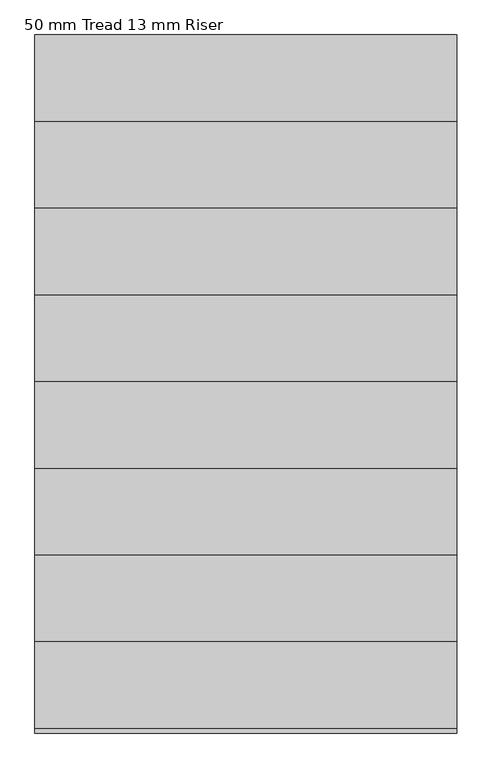
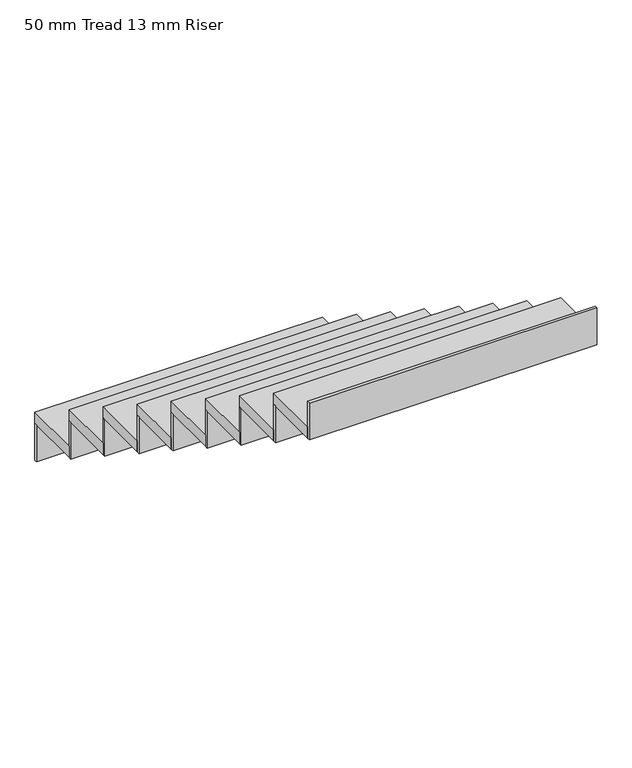
"""IFC4 building model written with IfcOpenShell, lengths in millimetres: stair flight geometry, 50 mm Tread 13 mm Riser."""

from ifc_helpers import new_model, si_unit, frame, origin, place, context, project, spatial, polyline, outline, extrude, source, transform, mapped, element, save


def stair_flight_50_mm_tread_13_mm_riser_f593c739(model_context):
    return source(origin(), model_context, "Body", "SweptSolid", [
        extrude(outline(polyline([(-21646.2730582, 13566.4200407), (-21646.2730582, 13578.9200407), (-20430.166273, 13578.9200407), (-20430.166273, 13566.4200407), (-21646.2730582, 13566.4200407)])), frame((0.0, 0.0, 1425.0), z_axis=(0.0, 0.0, 1.0), x_axis=(1.0, 0.0, 0.0)), (0.0, 0.0, 1.0), 163.8888889),
        extrude(outline(polyline([(-20430.166273, 13328.9200407), (-21646.2730582, 13328.9200407), (-21646.2730582, 13578.9200407), (-20430.166273, 13578.9200407), (-20430.166273, 13328.9200407)])), frame((0.0, 0.0, 1588.8888889), z_axis=(0.0, 0.0, 1.0), x_axis=(1.0, 0.0, 0.0)), (0.0, 0.0, 1.0), 50.0),
        extrude(outline(polyline([(-21646.2730582, 13316.4200407), (-21646.2730582, 13328.9200407), (-20430.166273, 13328.9200407), (-20430.166273, 13316.4200407), (-21646.2730582, 13316.4200407)])), frame((0.0, 0.0, 1588.8888889), z_axis=(0.0, 0.0, 1.0), x_axis=(1.0, 0.0, 0.0)), (0.0, 0.0, 1.0), 163.8888889),
        extrude(outline(polyline([(-20430.166273, 13078.9200407), (-21646.2730582, 13078.9200407), (-21646.2730582, 13328.9200407), (-20430.166273, 13328.9200407), (-20430.166273, 13078.9200407)])), frame((0.0, 0.0, 1752.7777778), z_axis=(0.0, 0.0, 1.0), x_axis=(1.0, 0.0, 0.0)), (0.0, 0.0, 1.0), 50.0),
        extrude(outline(polyline([(-21646.2730582, 13066.4200407), (-21646.2730582, 13078.9200407), (-20430.166273, 13078.9200407), (-20430.166273, 13066.4200407), (-21646.2730582, 13066.4200407)])), frame((0.0, 0.0, 1752.7777778), z_axis=(0.0, 0.0, 1.0), x_axis=(1.0, 0.0, 0.0)), (0.0, 0.0, 1.0), 163.8888889),
        extrude(outline(polyline([(-20430.166273, 12828.9200407), (-21646.2730582, 12828.9200407), (-21646.2730582, 13078.9200407), (-20430.166273, 13078.9200407), (-20430.166273, 12828.9200407)])), frame((0.0, 0.0, 1916.6666667), z_axis=(0.0, 0.0, 1.0), x_axis=(1.0, 0.0, 0.0)), (0.0, 0.0, 1.0), 50.0),
        extrude(outline(polyline([(-21646.2730582, 12816.4200407), (-21646.2730582, 12828.9200407), (-20430.166273, 12828.9200407), (-20430.166273, 12816.4200407), (-21646.2730582, 12816.4200407)])), frame((0.0, 0.0, 1916.6666667), z_axis=(0.0, 0.0, 1.0), x_axis=(1.0, 0.0, 0.0)), (0.0, 0.0, 1.0), 163.8888889),
        extrude(outline(polyline([(-20430.166273, 12578.9200407), (-21646.2730582, 12578.9200407), (-21646.2730582, 12828.9200407), (-20430.166273, 12828.9200407), (-20430.166273, 12578.9200407)])), frame((0.0, 0.0, 2080.5555556), z_axis=(0.0, 0.0, 1.0), x_axis=(1.0, 0.0, 0.0)), (0.0, 0.0, 1.0), 50.0),
        extrude(outline(polyline([(-21646.2730582, 12566.4200407), (-21646.2730582, 12578.9200407), (-20430.166273, 12578.9200407), (-20430.166273, 12566.4200407), (-21646.2730582, 12566.4200407)])), frame((0.0, 0.0, 2080.5555556), z_axis=(0.0, 0.0, 1.0), x_axis=(1.0, 0.0, 0.0)), (0.0, 0.0, 1.0), 163.8888889),
        extrude(outline(polyline([(-20430.166273, 12328.9200407), (-21646.2730582, 12328.9200407), (-21646.2730582, 12578.9200407), (-20430.166273, 12578.9200407), (-20430.166273, 12328.9200407)])), frame((0.0, 0.0, 2244.4444444), z_axis=(0.0, 0.0, 1.0), x_axis=(1.0, 0.0, 0.0)), (0.0, 0.0, 1.0), 50.0),
        extrude(outline(polyline([(-21646.2730582, 12316.4200407), (-21646.2730582, 12328.9200407), (-20430.166273, 12328.9200407), (-20430.166273, 12316.4200407), (-21646.2730582, 12316.4200407)])), frame((0.0, 0.0, 2244.4444444), z_axis=(0.0, 0.0, 1.0), x_axis=(1.0, 0.0, 0.0)), (0.0, 0.0, 1.0), 163.8888889),
        extrude(outline(polyline([(-20430.166273, 12078.9200407), (-21646.2730582, 12078.9200407), (-21646.2730582, 12328.9200407), (-20430.166273, 12328.9200407), (-20430.166273, 12078.9200407)])), frame((0.0, 0.0, 2408.3333333), z_axis=(0.0, 0.0, 1.0), x_axis=(1.0, 0.0, 0.0)), (0.0, 0.0, 1.0), 50.0),
        extrude(outline(polyline([(-21646.2730582, 12066.4200407), (-21646.2730582, 12078.9200407), (-20430.166273, 12078.9200407), (-20430.166273, 12066.4200407), (-21646.2730582, 12066.4200407)])), frame((0.0, 0.0, 2408.3333333), z_axis=(0.0, 0.0, 1.0), x_axis=(1.0, 0.0, 0.0)), (0.0, 0.0, 1.0), 163.8888889),
        extrude(outline(polyline([(-20430.166273, 11828.9200407), (-21646.2730582, 11828.9200407), (-21646.2730582, 12078.9200407), (-20430.166273, 12078.9200407), (-20430.166273, 11828.9200407)])), frame((0.0, 0.0, 2572.2222222), z_axis=(0.0, 0.0, 1.0), x_axis=(1.0, 0.0, 0.0)), (0.0, 0.0, 1.0), 50.0),
        extrude(outline(polyline([(-21646.2730582, 11816.4200407), (-21646.2730582, 11828.9200407), (-20430.166273, 11828.9200407), (-20430.166273, 11816.4200407), (-21646.2730582, 11816.4200407)])), frame((0.0, 0.0, 2572.2222222), z_axis=(0.0, 0.0, 1.0), x_axis=(1.0, 0.0, 0.0)), (0.0, 0.0, 1.0), 163.8888889),
        extrude(outline(polyline([(-21646.2730582, 11566.4200407), (-21646.2730582, 11578.9200407), (-20430.166273, 11578.9200407), (-20430.166273, 11566.4200407), (-21646.2730582, 11566.4200407)])), frame((0.0, 0.0, 2736.1111111), z_axis=(0.0, 0.0, 1.0), x_axis=(1.0, 0.0, 0.0)), (0.0, 0.0, 1.0), 163.8888889),
        extrude(outline(polyline([(-20430.166273, 11578.9200407), (-21646.2730582, 11578.9200407), (-21646.2730582, 11828.9200407), (-20430.166273, 11828.9200407), (-20430.166273, 11578.9200407)])), frame((0.0, 0.0, 2736.1111111), z_axis=(0.0, 0.0, 1.0), x_axis=(1.0, 0.0, 0.0)), (0.0, 0.0, 1.0), 50.0),
    ])


if __name__ == "__main__":
    model = new_model("IFC4")
    model_context = context("Model", 3, world=origin())
    ifc_project = project(units=[si_unit("LENGTHUNIT", "METRE", prefix="MILLI")], contexts=[model_context])
    site = spatial("IfcSite", under=ifc_project)
    building = spatial("IfcBuilding", under=site)
    placement = place(None, origin())
    stair_flight_50_mm_tread_13_mm_riser_shape = stair_flight_50_mm_tread_13_mm_riser_f593c739(model_context)
    element("IfcStairFlight", 1, ObjectType="50 mm Tread 13 mm Riser", at=placement, inside=building, context=model_context, shape_type="MappedRepresentation", body=[
        mapped(stair_flight_50_mm_tread_13_mm_riser_shape, transform((0.0, 0.0, 0.0), x_axis=(1.0, 0.0, 0.0), y_axis=(0.0, 1.0, 0.0), z_axis=(0.0, 0.0, 1.0))),
    ])
    save(model, "model.ifc")
